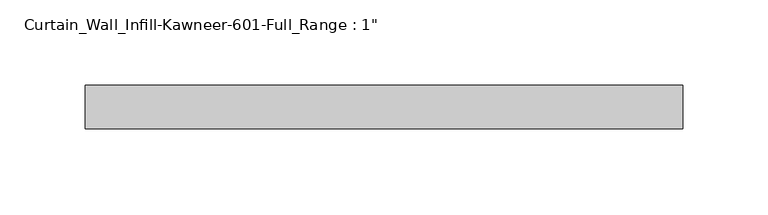
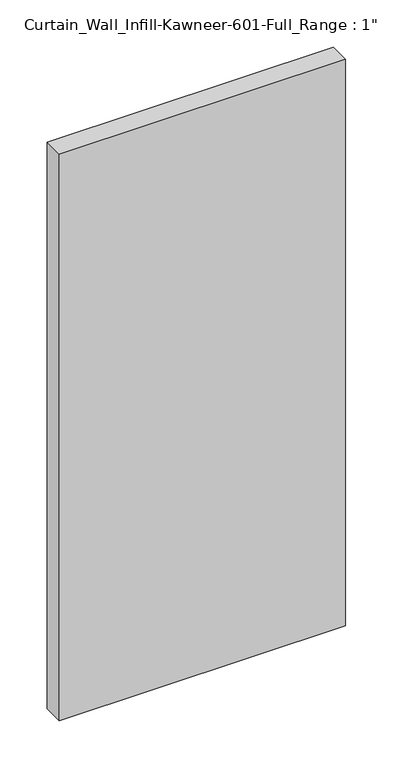
"""IFC4 building model written with IfcOpenShell, lengths in millimetres: plate geometry."""

from ifc_helpers import new_model, si_unit, origin, origin_with_axes, place, context, project, spatial, polyline, outline, extrude, source, transform, mapped, element, save


def plate_4a169af8(model_context):
    return source(origin(), model_context, "Body", "SweptSolid", [
        extrude(outline(polyline([(-174.625, -12.7), (-174.625, 12.7), (174.625, 12.7), (174.625, -12.7), (-174.625, -12.7)])), origin_with_axes(), (0.0, 0.0, 1.0), 730.25),
    ])


if __name__ == "__main__":
    model = new_model("IFC4")
    model_context = context("Model", 3, world=origin())
    ifc_project = project(units=[si_unit("LENGTHUNIT", "METRE", prefix="MILLI")], contexts=[model_context])
    site = spatial("IfcSite", under=ifc_project)
    building = spatial("IfcBuilding", under=site)
    placement = place(None, origin())
    plate_shape = plate_4a169af8(model_context)
    element("IfcPlate", 1, ObjectType="Curtain_Wall_Infill-Kawneer-601-Full_Range : 1\"", at=placement, inside=building, context=model_context, shape_type="MappedRepresentation", body=[
        mapped(plate_shape, transform((0.0, 0.0, 0.0), x_axis=(1.0, 0.0, 0.0), y_axis=(0.0, 1.0, 0.0), z_axis=(0.0, 0.0, 1.0))),
    ])
    save(model, "model.ifc")
